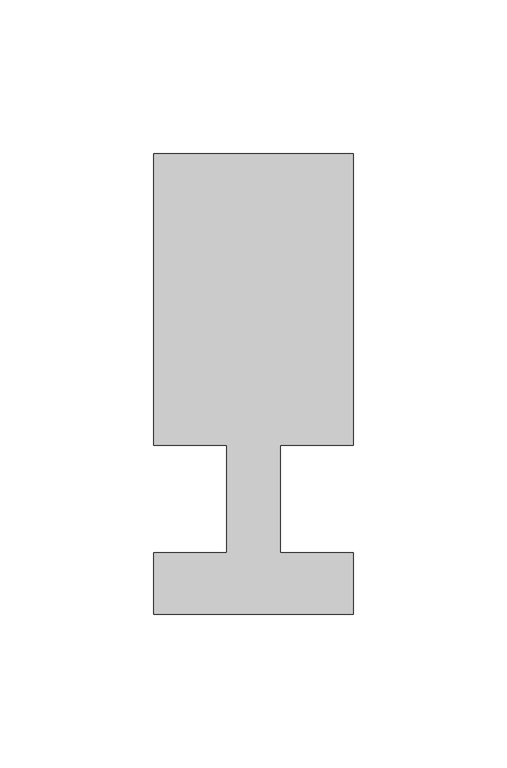
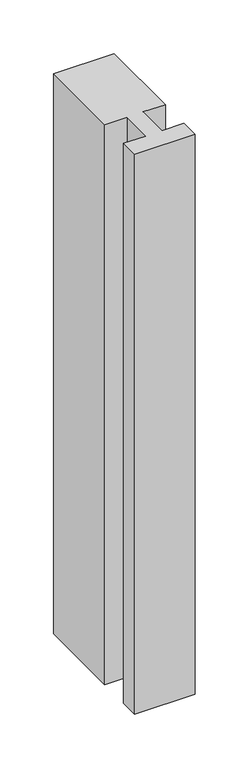
"""IFC4 building model written with IfcOpenShell, lengths in millimetres: member geometry."""

from ifc_helpers import new_model, si_unit, frame, origin, place, context, project, spatial, polyline, outline, extrude, source, transform, mapped, element, save


def member_136273dd(model_context):
    return source(origin(), model_context, "Body", "SweptSolid", [
        extrude(outline(polyline([(-32.5, -37.0), (-32.5, -17.0), (-8.6875, -17.0), (-8.6875, 18.0), (-32.5, 18.0), (-32.5, 113.0), (32.5, 113.0), (32.5, 18.0), (8.6875, 18.0), (8.6875, -17.0), (32.5, -17.0), (32.5, -37.0), (-32.5, -37.0)])), frame((0.0, 0.0, -635.0), z_axis=(0.0, 0.0, 1.0), x_axis=(1.0, 0.0, 0.0)), (0.0, 0.0, 1.0), 635.0),
    ])


if __name__ == "__main__":
    model = new_model("IFC4")
    model_context = context("Model", 3, world=origin())
    ifc_project = project(units=[si_unit("LENGTHUNIT", "METRE", prefix="MILLI")], contexts=[model_context])
    site = spatial("IfcSite", under=ifc_project)
    building = spatial("IfcBuilding", under=site)
    placement = place(None, origin())
    member_shape = member_136273dd(model_context)
    element("IfcMember", 1, at=placement, inside=building, context=model_context, shape_type="MappedRepresentation", body=[
        mapped(member_shape, transform((0.0, 0.0, 0.0), x_axis=(1.0, 0.0, 0.0), y_axis=(0.0, 1.0, 0.0), z_axis=(0.0, 0.0, 1.0))),
    ])
    save(model, "model.ifc")
